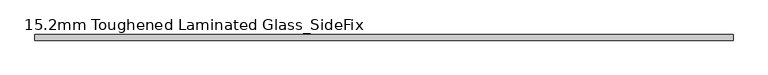
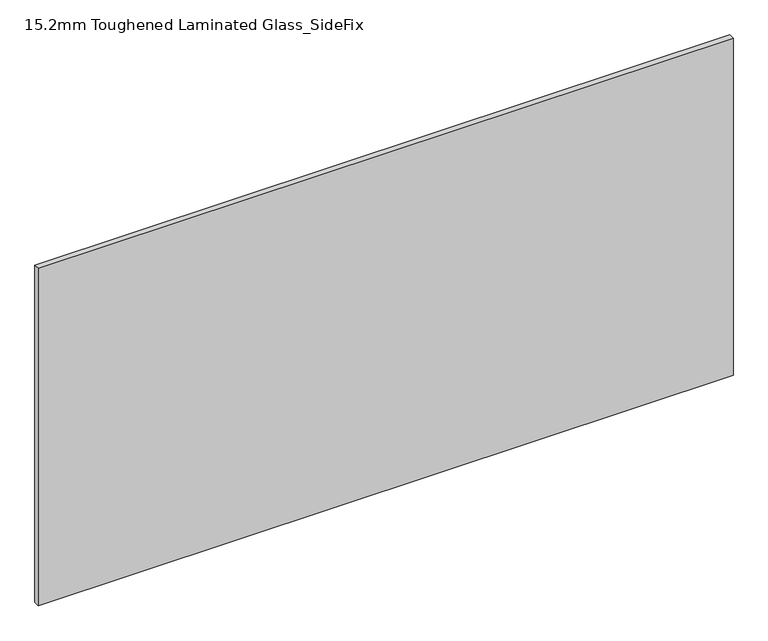
"""IFC4 building model written with IfcOpenShell, lengths in millimetres: plate geometry, 15.2mm Toughened Laminated Glass_SideFix."""

from ifc_helpers import new_model, si_unit, origin, origin_with_axes, place, context, project, spatial, polyline, outline, extrude, source, transform, mapped, element, save


def plate_15_2mm_toughened_laminated_glass_sidefix_840f60fb(model_context):
    return source(origin(), model_context, "Body", "SweptSolid", [
        extrude(outline(polyline([(945.0000001, -24.4), (945.0000001, -39.6), (-945.0000001, -39.6), (-945.0000001, -24.4), (945.0000001, -24.4)])), origin_with_axes(), (0.0, 0.0, 1.0), 970.0),
    ])


if __name__ == "__main__":
    model = new_model("IFC4")
    model_context = context("Model", 3, world=origin())
    ifc_project = project(units=[si_unit("LENGTHUNIT", "METRE", prefix="MILLI")], contexts=[model_context])
    site = spatial("IfcSite", under=ifc_project)
    building = spatial("IfcBuilding", under=site)
    placement = place(None, origin())
    plate_15_2mm_toughened_laminated_glass_sidefix_shape = plate_15_2mm_toughened_laminated_glass_sidefix_840f60fb(model_context)
    element("IfcPlate", 1, ObjectType="15.2mm Toughened Laminated Glass_SideFix", at=placement, inside=building, context=model_context, shape_type="MappedRepresentation", body=[
        mapped(plate_15_2mm_toughened_laminated_glass_sidefix_shape, transform((0.0, 0.0, 0.0), x_axis=(1.0, 0.0, 0.0), y_axis=(0.0, 1.0, 0.0), z_axis=(0.0, 0.0, 1.0))),
    ])
    save(model, "model.ifc")
